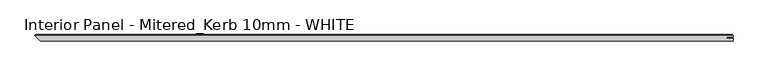
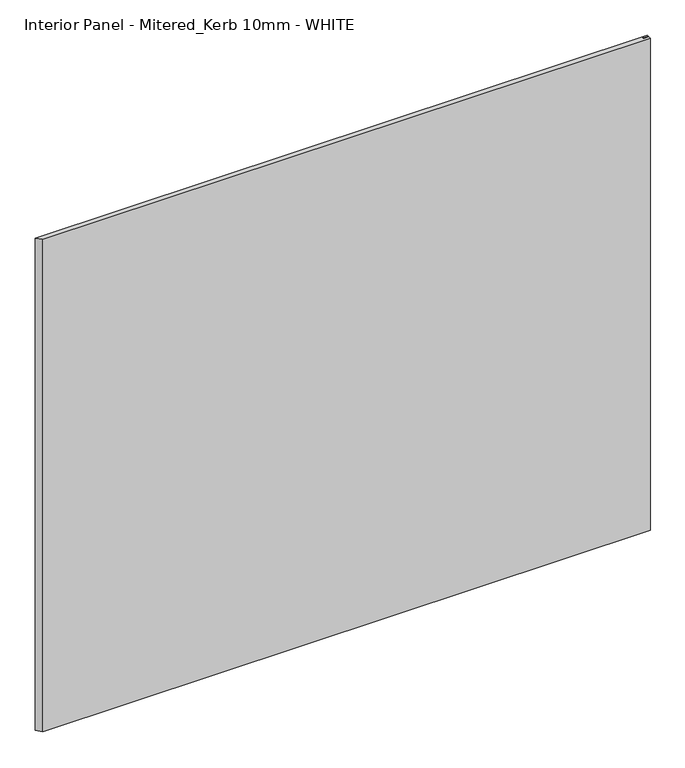
"""IFC4 building model written with IfcOpenShell, lengths in millimetres: proxy geometry, Interior Panel - Mitered_Kerb 10mm - WHITE."""

from ifc_helpers import new_model, si_unit, origin, place, context, project, spatial, faceted_brep, source, transform, mapped, element, save


def interior_panel_mitered_kerb_10mm_white_cc750bb6(model_context):
    return source(origin(), model_context, "Body", "Brep", [
        faceted_brep([(1003.3, -3.175, 914.4), (1003.3, 0.5207, 914.4), (993.4773437, 0.5207, 914.4), (993.4773437, 2.6543, 914.4), (1003.3, 2.6543, 914.4), (1003.3, 4.7625, 914.4), (-73.025, 4.7625, 914.4), (-65.0875, -3.175, 914.4), (1003.3, -3.175, 0.0), (-65.0875, -3.175, 0.0), (-73.025, 4.7625, 0.0), (1003.3, 4.7625, 0.0), (1003.3, 2.6543, 0.0), (993.4773437, 2.6543, 0.0), (993.4773437, 0.5207, 0.0), (1003.3, 0.5207, 0.0), (-71.4375, 6.35, 912.8125), (1001.7125, 6.35, 912.8125), (1001.7125, 6.35, 1.5875), (-71.4375, 6.35, 1.5875)], [[[0, 1, 2, 3, 4, 5, 6, 7]], [[8, 9, 10, 11, 12, 13, 14, 15]], [[7, 9, 8, 0]], [[16, 17, 18, 19]], [[4, 12, 11, 5]], [[11, 18, 17, 5]], [[5, 17, 16, 6]], [[10, 19, 18, 11]], [[3, 13, 12, 4]], [[2, 14, 13, 3]], [[1, 15, 14, 2]], [[0, 8, 15, 1]], [[6, 10, 9, 7]], [[6, 16, 19, 10]]]),
    ])


if __name__ == "__main__":
    model = new_model("IFC4")
    model_context = context("Model", 3, world=origin())
    ifc_project = project(units=[si_unit("LENGTHUNIT", "METRE", prefix="MILLI")], contexts=[model_context])
    site = spatial("IfcSite", under=ifc_project)
    building = spatial("IfcBuilding", under=site)
    placement = place(None, origin())
    interior_panel_mitered_kerb_10mm_white_shape = interior_panel_mitered_kerb_10mm_white_cc750bb6(model_context)
    element("IfcBuildingElementProxy", 1, Name="Interior Panel - Mitered_Kerb 10mm - WHITE", ObjectType="Interior Panel - Mitered_Kerb 10mm - WHITE", at=placement, inside=building, context=model_context, shape_type="MappedRepresentation", body=[
        mapped(interior_panel_mitered_kerb_10mm_white_shape, transform((0.0, 0.0, 0.0), x_axis=(1.0, 0.0, 0.0), y_axis=(0.0, 1.0, 0.0), z_axis=(0.0, 0.0, 1.0))),
    ])
    save(model, "model.ifc")
